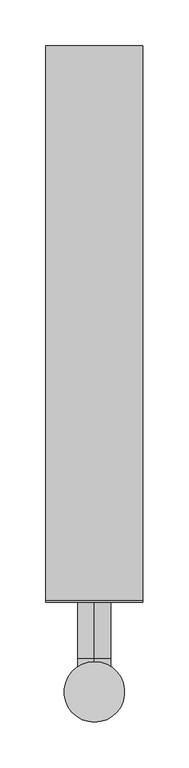
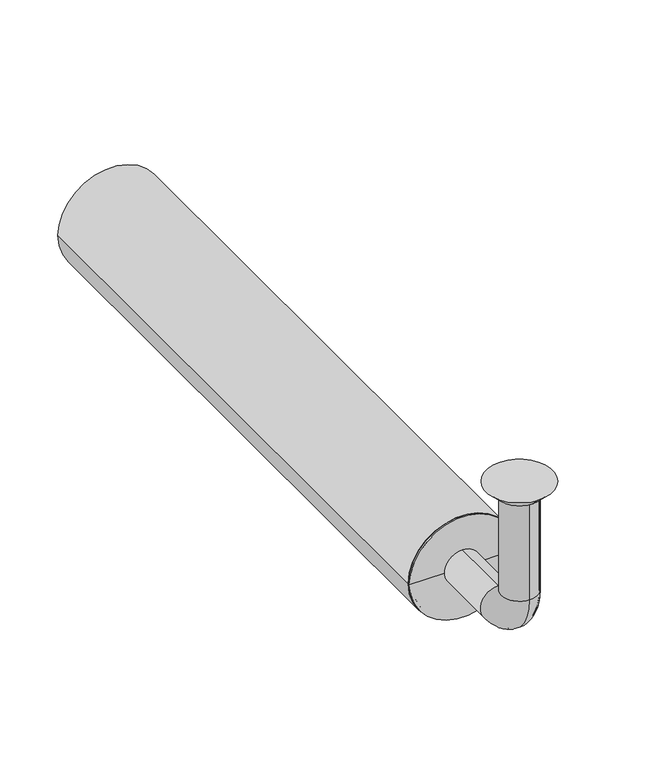
"""IFC4 building model written with IfcOpenShell, lengths in millimetres: beam geometry."""

from ifc_helpers import new_model, si_unit, point, frame, frame_2d, origin, place, context, project, spatial, polyline, circle_curve, ellipse_curve, trimmed, segment, composite_curve, outline, extrude, source, transform, mapped, element, save
from ifc_brep_helpers import plane_surface, cylinder_surface, revolved_surface, advanced_brep


def beam_3c135542(model_context):
    return source(origin(), model_context, "Body", "SolidModel", [
        extrude(outline(composite_curve([segment(trimmed(circle_curve(frame_2d((-150.0, 0.0)), 53.0), [point((-150.0, 53.0))], [point((-150.0, -53.0))], False, "CARTESIAN"), True, "CONTINUOUS"), segment(trimmed(circle_curve(frame_2d((-150.0, 0.0)), 53.0), [point((-150.0, -53.0))], [point((-150.0, 53.0))], False, "CARTESIAN"), True, "CONTINUOUS")], self_intersect=False), holes=[composite_curve([segment(trimmed(circle_curve(frame_2d((-150.0, 0.0)), 50.0), [point((-150.0, 50.0))], [point((-150.0, -50.0))], True, "CARTESIAN"), True, "CONTINUOUS"), segment(trimmed(circle_curve(frame_2d((-150.0, 0.0)), 50.0), [point((-150.0, -50.0))], [point((-150.0, 50.0))], True, "CARTESIAN"), True, "CONTINUOUS")], self_intersect=False)]), frame((0.0, 100.0, 0.0), z_axis=(0.0, 1.0, 0.0), x_axis=(0.0, 0.0, 1.0)), (0.0, 0.0, 1.0), 605.0),
        advanced_brep(
        [(0.0, -18.0, -10.0), (0.0, 18.0, -10.0), (0.0, -17.0, -10.0), (0.0, 17.0, -10.0), (0.0, -18.0, -114.0), (0.0, 18.0, -114.0), (0.0, -17.0, -114.0), (0.0, 17.0, -114.0), (0.0, 36.0, -132.0), (0.0, 36.0, -168.0), (0.0, 36.0, -133.0), (0.0, 36.0, -167.0), (0.0, 123.0, -168.0), (0.0, 123.0, -132.0), (0.0, 123.0, -167.0), (0.0, 123.0, -133.0)],
        [
            (0, 1, circle_curve(frame((0.0, 0.0, -10.0), z_axis=(0.0, 0.0, 1.0), x_axis=(0.0, 1.0, 0.0)), 18.0)),
            (1, 0, circle_curve(frame((0.0, 0.0, -10.0), z_axis=(0.0, 0.0, 1.0), x_axis=(0.0, 1.0, 0.0)), 18.0)),
            (2, 3, circle_curve(frame((0.0, 0.0, -10.0), z_axis=(0.0, 0.0, -1.0), x_axis=(0.0, 1.0, 0.0)), 17.0)),
            (3, 2, circle_curve(frame((0.0, 0.0, -10.0), z_axis=(0.0, 0.0, -1.0), x_axis=(0.0, 1.0, 0.0)), 17.0)),
            (0, 4),
            (4, 5, circle_curve(frame((0.0, 0.0, -114.0), z_axis=(0.0, 0.0, 1.0), x_axis=(0.0, 1.0, 0.0)), 18.0)),
            (5, 1),
            (5, 4, circle_curve(frame((0.0, 0.0, -114.0), z_axis=(0.0, 0.0, 1.0), x_axis=(0.0, 1.0, 0.0)), 18.0)),
            (2, 6),
            (6, 7, circle_curve(frame((0.0, 0.0, -114.0), z_axis=(0.0, 0.0, -1.0), x_axis=(0.0, 1.0, 0.0)), 17.0)),
            (7, 3),
            (7, 6, circle_curve(frame((0.0, 0.0, -114.0), z_axis=(0.0, 0.0, -1.0), x_axis=(0.0, 1.0, 0.0)), 17.0)),
            (8, 5, circle_curve(frame((0.0, 36.0, -114.0), z_axis=(-1.0, 0.0, 0.0), x_axis=(0.0, -1.0, 0.0)), 18.0)),
            (4, 9, circle_curve(frame((0.0, 36.0, -114.0), z_axis=(1.0, 0.0, 0.0), x_axis=(0.0, -1.0, 0.0)), 54.0)),
            (9, 8, circle_curve(frame((0.0, 36.0, -150.0), z_axis=(0.0, -1.0, 0.0), x_axis=(0.0, 0.0, 1.0)), 18.0)),
            (8, 9, circle_curve(frame((0.0, 36.0, -150.0), z_axis=(0.0, -1.0, 0.0), x_axis=(0.0, 0.0, 1.0)), 18.0)),
            (10, 7, circle_curve(frame((0.0, 36.0, -114.0), z_axis=(-1.0, 0.0, 0.0), x_axis=(0.0, -1.0, 0.0)), 19.0)),
            (6, 11, circle_curve(frame((0.0, 36.0, -114.0), z_axis=(1.0, 0.0, 0.0), x_axis=(0.0, -1.0, 0.0)), 53.0)),
            (11, 10, circle_curve(frame((0.0, 36.0, -150.0), z_axis=(0.0, 1.0, 0.0), x_axis=(0.0, 0.0, 1.0)), 17.0)),
            (10, 11, circle_curve(frame((0.0, 36.0, -150.0), z_axis=(0.0, 1.0, 0.0), x_axis=(0.0, 0.0, 1.0)), 17.0)),
            (12, 13, circle_curve(frame((0.0, 123.0, -150.0), z_axis=(0.0, 1.0, 0.0), x_axis=(0.0, 0.0, 1.0)), 18.0)),
            (13, 12, circle_curve(frame((0.0, 123.0, -150.0), z_axis=(0.0, 1.0, 0.0), x_axis=(0.0, 0.0, 1.0)), 18.0)),
            (14, 15, circle_curve(frame((0.0, 123.0, -150.0), z_axis=(0.0, -1.0, 0.0), x_axis=(0.0, 0.0, 1.0)), 17.0)),
            (15, 14, circle_curve(frame((0.0, 123.0, -150.0), z_axis=(0.0, -1.0, 0.0), x_axis=(0.0, 0.0, 1.0)), 17.0)),
            (9, 12),
            (13, 8),
            (11, 14),
            (15, 10),
        ],
        [
            plane_surface(frame((0.0, 0.0, -10.0), z_axis=(0.0, 0.0, 1.0), x_axis=(1.0, 0.0, 0.0))),
            cylinder_surface(frame((0.0, 0.0, -10.0), z_axis=(0.0, 0.0, 1.0), x_axis=(0.0, 1.0, 0.0)), 18.0),
            revolved_surface(polyline([(0.0, 17.0, -114.0), (0.0, 17.0, -10.0)]), (0.0, 0.0, -10.0), (0.0, 0.0, -1.0)),
            revolved_surface(trimmed(ellipse_curve(frame((0.0, 0.0, -114.0), z_axis=(0.0, 0.0, 1.0), x_axis=(0.0, 1.0, 0.0)), 18.0, 18.0), [point((0.0, -18.0, -114.0))], [point((0.0, 18.0, -114.0))], True, "CARTESIAN"), (0.0, 36.0, -114.0), (1.0, 0.0, 0.0)),
            revolved_surface(trimmed(ellipse_curve(frame((0.0, 0.0, -114.0), z_axis=(0.0, 0.0, 1.0), x_axis=(0.0, 1.0, 0.0)), 18.0, 18.0), [point((0.0, 18.0, -114.0))], [point((0.0, -18.0, -114.0))], True, "CARTESIAN"), (0.0, 36.0, -114.0), (1.0, 0.0, 0.0)),
            revolved_surface(trimmed(ellipse_curve(frame((0.0, 0.0, -114.0), z_axis=(0.0, 0.0, -1.0), x_axis=(0.0, 1.0, 0.0)), 17.0, 17.0), [point((0.0, -17.0, -114.0))], [point((0.0, 17.0, -114.0))], True, "CARTESIAN"), (0.0, 36.0, -114.0), (1.0, 0.0, 0.0)),
            revolved_surface(trimmed(ellipse_curve(frame((0.0, 0.0, -114.0), z_axis=(0.0, 0.0, -1.0), x_axis=(0.0, 1.0, 0.0)), 17.0, 17.0), [point((0.0, 17.0, -114.0))], [point((0.0, -17.0, -114.0))], True, "CARTESIAN"), (0.0, 36.0, -114.0), (1.0, 0.0, 0.0)),
            plane_surface(frame((0.0, 123.0, -150.0), z_axis=(0.0, 1.0, 0.0), x_axis=(1.0, 0.0, 0.0))),
            cylinder_surface(frame((0.0, 36.0, -150.0), z_axis=(0.0, -1.0, 0.0), x_axis=(0.0, 0.0, 1.0)), 18.0),
            revolved_surface(polyline([(0.0, 123.0, -133.0), (0.0, 36.0, -133.0)]), (0.0, 36.0, -150.0), (0.0, 1.0, 0.0)),
        ],
        [
            (0, [[1, 2], [3, 4]]),
            (1, [[-1, 5, 6, 7]]),
            (1, [[-2, -7, 8, -5]]),
            (2, [[-3, 9, 10, 11]]),
            (2, [[-4, -11, 12, -9]]),
            (3, [[13, -6, 14, 15]]),
            (4, [[-14, -8, -13, 16]]),
            (5, [[17, -10, 18, 19]]),
            (6, [[-18, -12, -17, 20]]),
            (7, [[21, 22], [23, 24]]),
            (8, [[-15, 25, -22, 26]]),
            (8, [[-16, -26, -21, -25]]),
            (9, [[-19, 27, -24, 28]]),
            (9, [[-20, -28, -23, -27]]),
        ],
    ),
        advanced_brep(
        [(0.0, 23.0, -10.0), (0.0, -23.0, -10.0), (0.0, 33.0, 0.0), (0.0, -33.0, 0.0)],
        [
            (0, 1, circle_curve(frame((0.0, 0.0, -10.0), z_axis=(0.0, 0.0, -1.0), x_axis=(0.0, 1.0, 0.0)), 23.0)),
            (1, 0, circle_curve(frame((0.0, 0.0, -10.0), z_axis=(0.0, 0.0, -1.0), x_axis=(0.0, -1.0, 0.0)), 23.0)),
            (2, 3, circle_curve(frame((0.0, 0.0, 0.0), z_axis=(0.0, 0.0, 1.0), x_axis=(0.0, -1.0, 0.0)), 33.0)),
            (3, 2, circle_curve(frame((0.0, 0.0, 0.0), z_axis=(0.0, 0.0, 1.0), x_axis=(0.0, 1.0, 0.0)), 33.0)),
            (3, 1),
            (0, 2),
        ],
        [
            plane_surface(frame((0.0, 0.0, -10.0), z_axis=(0.0, 0.0, -1.0), x_axis=(-1.0, 0.0, 0.0))),
            plane_surface(frame((0.0, 0.0, 0.0), z_axis=(0.0, 0.0, 1.0), x_axis=(-1.0, 0.0, 0.0))),
            revolved_surface(polyline([(0.0, 23.0, -10.0), (0.0, 33.0, 0.0)]), (0.0, 0.0, -33.0), (0.0, 0.0, 1.0)),
            revolved_surface(polyline([(0.0, -23.0, -10.0), (0.0, -33.0, 0.0)]), (0.0, 0.0, -33.0), (0.0, 0.0, 1.0)),
        ],
        [
            (0, [[1, 2]]),
            (1, [[3, 4]]),
            (2, [[-4, 5, -1, 6]]),
            (3, [[-3, -6, -2, -5]]),
        ],
    ),
        advanced_brep(
        [(50.0, 100.0, -150.0), (-50.0, 100.0, -150.0), (-50.0, 123.0, -150.0), (50.0, 123.0, -150.0), (-18.0, 123.0, -150.0), (18.0, 123.0, -150.0), (-18.0, 98.0, -150.0), (18.0, 98.0, -150.0), (-53.0, 98.0, -150.0), (53.0, 98.0, -150.0), (-53.0, 100.0, -150.0), (53.0, 100.0, -150.0)],
        [
            (0, 1, circle_curve(frame((0.0, 100.0, -150.0), z_axis=(0.0, 1.0, 0.0), x_axis=(-1.0, 0.0, 0.0)), 50.0)),
            (1, 2),
            (2, 3, circle_curve(frame((0.0, 123.0, -150.0), z_axis=(0.0, -1.0, 0.0), x_axis=(-1.0, 0.0, 0.0)), 50.0)),
            (3, 0),
            (1, 0, circle_curve(frame((0.0, 100.0, -150.0), z_axis=(0.0, 1.0, 0.0), x_axis=(-1.0, 0.0, 0.0)), 50.0)),
            (3, 2, circle_curve(frame((0.0, 123.0, -150.0), z_axis=(0.0, -1.0, 0.0), x_axis=(-1.0, 0.0, 0.0)), 50.0)),
            (2, 4),
            (4, 5, circle_curve(frame((0.0, 123.0, -150.0), z_axis=(0.0, -1.0, 0.0), x_axis=(-1.0, 0.0, 0.0)), 18.0)),
            (5, 3),
            (5, 4, circle_curve(frame((0.0, 123.0, -150.0), z_axis=(0.0, -1.0, 0.0), x_axis=(-1.0, 0.0, 0.0)), 18.0)),
            (4, 6),
            (6, 7, circle_curve(frame((0.0, 98.0, -150.0), z_axis=(0.0, -1.0, 0.0), x_axis=(-1.0, 0.0, 0.0)), 18.0)),
            (7, 5),
            (7, 6, circle_curve(frame((0.0, 98.0, -150.0), z_axis=(0.0, -1.0, 0.0), x_axis=(-1.0, 0.0, 0.0)), 18.0)),
            (6, 8),
            (8, 9, circle_curve(frame((0.0, 98.0, -150.0), z_axis=(0.0, -1.0, 0.0), x_axis=(-1.0, 0.0, 0.0)), 53.0)),
            (9, 7),
            (9, 8, circle_curve(frame((0.0, 98.0, -150.0), z_axis=(0.0, -1.0, 0.0), x_axis=(-1.0, 0.0, 0.0)), 53.0)),
            (8, 10),
            (10, 11, circle_curve(frame((0.0, 100.0, -150.0), z_axis=(0.0, -1.0, 0.0), x_axis=(-1.0, 0.0, 0.0)), 53.0)),
            (11, 9),
            (11, 10, circle_curve(frame((0.0, 100.0, -150.0), z_axis=(0.0, -1.0, 0.0), x_axis=(-1.0, 0.0, 0.0)), 53.0)),
            (10, 1),
            (0, 11),
        ],
        [
            cylinder_surface(frame((0.0, 98.0, -150.0), z_axis=(0.0, -1.0, 0.0), x_axis=(-1.0, 0.0, 0.0)), 50.0),
            plane_surface(frame((0.0, 123.0, -150.0), z_axis=(0.0, 1.0, 0.0), x_axis=(-1.0, 0.0, 0.0))),
            revolved_surface(polyline([(-18.0, 98.0, -150.0), (-18.0, 123.0, -150.0)]), (0.0, 98.0, -150.0), (0.0, -1.0, 0.0)),
            plane_surface(frame((0.0, 98.0, -150.0), z_axis=(0.0, -1.0, 0.0), x_axis=(-1.0, 0.0, 0.0))),
            cylinder_surface(frame((0.0, 98.0, -150.0), z_axis=(0.0, -1.0, 0.0), x_axis=(-1.0, 0.0, 0.0)), 53.0),
            plane_surface(frame((0.0, 100.0, -150.0), z_axis=(0.0, 1.0, 0.0), x_axis=(-1.0, 0.0, 0.0))),
        ],
        [
            (0, [[1, 2, 3, 4]]),
            (0, [[5, -4, 6, -2]]),
            (1, [[-3, 7, 8, 9]]),
            (1, [[-6, -9, 10, -7]]),
            (2, [[-8, 11, 12, 13]]),
            (2, [[-10, -13, 14, -11]]),
            (3, [[-12, 15, 16, 17]]),
            (3, [[-14, -17, 18, -15]]),
            (4, [[-16, 19, 20, 21]]),
            (4, [[-18, -21, 22, -19]]),
            (5, [[-20, 23, -1, 24]]),
            (5, [[-22, -24, -5, -23]]),
        ],
    ),
    ])


if __name__ == "__main__":
    model = new_model("IFC4")
    model_context = context("Model", 3, world=origin())
    ifc_project = project(units=[si_unit("LENGTHUNIT", "METRE", prefix="MILLI")], contexts=[model_context])
    site = spatial("IfcSite", under=ifc_project)
    building = spatial("IfcBuilding", under=site)
    placement = place(None, origin())
    beam_shape = beam_3c135542(model_context)
    element("IfcBeam", 1, at=placement, inside=building, context=model_context, shape_type="MappedRepresentation", body=[
        mapped(beam_shape, transform((0.0, 0.0, 0.0), x_axis=(1.0, 0.0, 0.0), y_axis=(0.0, 1.0, 0.0), z_axis=(0.0, 0.0, 1.0))),
    ])
    save(model, "model.ifc")
